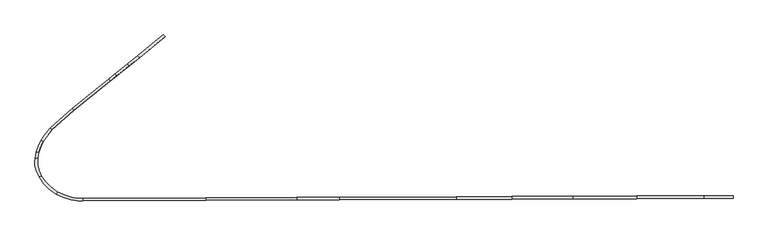
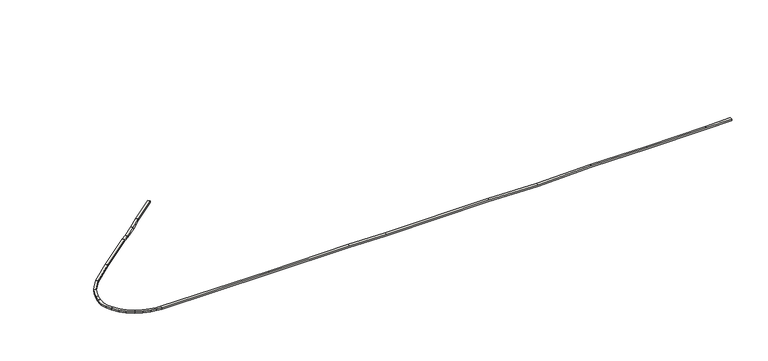
"""IFC4 building model written with IfcOpenShell, lengths in millimetres: wall geometry."""

from ifc_helpers import new_model, si_unit, origin, place, context, project, spatial, faceted_brep, source, transform, mapped, element, save


def wall_a0065af1(model_context):
    return source(origin(), model_context, "Body", "Brep", [
        faceted_brep([(-144906.563851, -25917.4705445, -2551.0109944), (-144742.9412286, -26119.5283985, -2550.5), (-144742.5906187, -26119.6996913, -2730.499577), (-144906.213241, -25917.6418373, -2731.0105714), (-153833.2497518, -33480.7150974, -2560.5), (-154001.4043029, -33282.327127, -2561.0150966), (-156189.0372918, -35222.5242594, -2561.0150966), (-156000.4756903, -35402.8133527, -2560.5), (-153832.9717272, -33480.9451686, -2740.4996468), (-156000.2170664, -35403.0606303, -2740.4996468), (-154001.1262783, -33282.5571982, -2741.0147434), (-156188.7786679, -35222.771537, -2741.0147434), (-156819.0964847, -36000.5825652, -2561.0150966), (-157118.0584184, -36427.5442066, -2560.943065), (-156892.0321503, -36558.0405349, -2560.4323666), (-156611.3250909, -36157.1495405, -2560.5), (-156611.0401196, -36157.3642818, -2740.4996468), (-156891.7221413, -36558.2195187, -2740.4320194), (-157117.7484094, -36427.7231904, -2740.9427177), (-156818.8115134, -36000.7973065, -2741.0147434), (-157346.8633666, -36918.2183291, -2561.0150966), (-157588.2118559, -37619.144308, -2560.8615815), (-157335.7146386, -37684.441525, -2560.3535447), (-157105.4652097, -37015.7495154, -2560.5), (-157105.1341172, -37015.8832854, -2740.4996468), (-157335.8700088, -37685.9880836, -2740.352882), (-157588.3672261, -37620.6908666, -2740.8609188), (-157346.5322741, -36918.3520992, -2741.0147434), (-157696.097862, -38230.9979448, -2550.4422495), (-157437.7552736, -38263.1443375, -2550.5), (-157437.9070841, -38264.670711, -2730.4999956), (-157696.2496725, -38232.5243184, -2730.442245), (-157729.362396, -38685.464534, -2550.4422495), (-157729.3623971, -38987.3245273, -2550.447144), (-157535.7556855, -39620.5835845, -2550.5003006), (-157298.4242063, -40129.542612, -2550.5611279), (-157072.3975048, -39999.0460365, -2550.6090825), (-157292.4320553, -39527.1803945, -2550.5526883), (-157469.3624033, -38948.4672679, -2550.5041104), (-157469.3624024, -38694.967131, -2550.5), (-157469.4023835, -38694.9656698, -2730.4999956), (-157469.4023844, -38948.4732431, -2730.504106), (-157292.469472, -39527.1947575, -2730.5526847), (-157072.4322618, -39999.0661035, -2730.6090795), (-157298.4589632, -40129.562679, -2730.5611249), (-157535.7931022, -39620.5979474, -2730.500297), (-157729.4023782, -38987.3305025, -2730.4471396), (-157729.4023771, -38685.4630728, -2730.442245), (-156827.1606959, -40802.5766194, -2550.4422495), (-156326.2879423, -41329.378794, -2550.4662669), (-155612.7631986, -41847.7848816, -2550.5300457), (-155482.0471245, -41621.378001, -2550.5826737), (-156154.2370365, -41133.0034274, -2550.5225897), (-156625.3349746, -40637.5174652, -2550.5), (-156625.3660101, -40637.5428469, -2730.4999956), (-156154.2634933, -41133.0336248, -2730.5225855), (-155482.0672252, -41621.4128164, -2730.5826701), (-155612.7832993, -41847.819697, -2730.530042), (-156326.3143992, -41329.4089913, -2730.4662627), (-156827.1917313, -40802.6020011, -2730.442245), (-154880.4078942, -42173.8504527, -2550.4422495), (-154114.026563, -42408.1567443, -2550.4639428), (-153459.2276046, -42500.1827452, -2550.5044261), (-152943.4461669, -42526.1380238, -2550.5457568), (-152937.4575761, -42266.1103942, -2550.5990611), (-153434.552268, -42241.0954746, -2550.5592278), (-154057.5782534, -42153.5348743, -2550.5207089), (-154789.183826, -41929.8605992, -2550.5), (-154789.1978539, -41929.8981184, -2730.4999956), (-154057.5869336, -42153.5740284, -2730.5207046), (-153434.5560625, -42241.1353154, -2730.5592239), (-152938.1914552, -42266.1134955, -2730.5989986), (-152944.180046, -42526.1411251, -2730.5456943), (-153459.231399, -42500.222586, -2730.5044221), (-154114.0352433, -42408.1958984, -2730.4639385), (-154880.421922, -42173.8879719, -2730.442245), (-140664.0688564, -42474.2467123, -2650.5), (-140665.1675778, -42214.2490339, -2650.5), (-131613.2888944, -42175.9967956, -2650.5), (-127379.0505537, -42158.1033727, -2734.8180061), (-115699.8527345, -42108.7483744, -2750.5), (-110139.7906818, -42085.252167, -2880.5), (-103998.6417353, -42059.3003508, -2750.5), (-97672.7819131, -42032.5679667, -2809.0), (-90933.5696209, -42004.0888009, -2800.5), (-88080.2964666, -41992.0311841, -2750.5), (-88077.142735, -41992.0178568, -2930.4723695), (-90931.8791307, -42004.0816571, -2980.498011), (-97673.5006678, -42032.5710041, -2989.0010497), (-103997.5690145, -42059.2958176, -2930.5176168), (-110139.9897409, -42085.2530082, -3060.5445387), (-115702.0775284, -42108.7577761, -2930.497175), (-127380.963379, -42158.1114561, -2914.8156), (-131615.0808891, -42176.0043684, -2830.5), (-140665.900912, -42214.2521329, -2830.5), (-140664.8021906, -42474.2498113, -2830.5), (-131613.9821677, -42436.0020469, -2830.5), (-127379.8646576, -42418.1091345, -2914.8156), (-115700.9788069, -42368.7554546, -2930.497175), (-110138.8910195, -42345.2506867, -3060.5445387), (-103996.4702931, -42319.293496, -2930.5176168), (-97672.4019464, -42292.5686826, -2989.0010497), (-90930.7804093, -42264.0793356, -2980.498011), (-88076.0440136, -42252.0155353, -2930.4723695), (-88079.1977452, -42252.0288626, -2750.5), (-90932.4708995, -42264.0864794, -2800.5), (-97671.6831917, -42292.5656452, -2809.0), (-103997.5430138, -42319.2980292, -2750.5), (-110138.6919604, -42345.2498455, -2880.5), (-115698.754013, -42368.7460528, -2750.5), (-127377.9518323, -42418.1010512, -2734.8180061), (-131612.1901729, -42435.9944741, -2650.5), (-147457.3831421, -27983.0832781, -2554.0138794), (-147293.7825387, -28185.1589625, -2553.502911), (-147285.6757089, -28179.0493924, -2733.4933572), (-147449.2763124, -27976.9737079, -2734.0043256), (-148506.6721466, -28832.7807601, -2705.4527268), (-148343.068323, -29034.8538369, -2704.9412936), (-148336.0957883, -29029.6628008, -2885.0954472), (-148499.6996119, -28827.589724, -2885.6068804), (-149744.3307698, -29835.0169518, -2681.0104029), (-149580.6747758, -30037.0477818, -2680.5), (-149592.0794735, -30046.738335, -2860.2912245), (-149755.7354675, -29844.707505, -2860.8016274), (-150375.2267672, -30345.906457, -2557.7327432), (-150211.5739401, -30547.9398516, -2557.2217215), (-150221.8630474, -30556.7270175, -2737.2309334), (-150385.5158744, -30354.6936229, -2737.7419552)], [[[0, 1, 2, 3]], [[4, 5, 6, 7]], [[8, 4, 7, 9]], [[10, 8, 9, 11]], [[5, 10, 11, 6]], [[7, 6, 12, 13, 14, 15]], [[9, 7, 15, 16]], [[11, 9, 16, 17, 18, 19]], [[6, 11, 19, 12]], [[16, 15, 14, 17]], [[12, 19, 18, 13]], [[14, 13, 20, 21, 22, 23]], [[17, 14, 23, 24]], [[18, 17, 24, 25, 26, 27]], [[13, 18, 27, 20]], [[24, 23, 22, 25]], [[20, 27, 26, 21]], [[22, 21, 28, 29]], [[25, 22, 29, 30]], [[26, 25, 30, 31]], [[21, 26, 31, 28]], [[29, 28, 32, 33, 34, 35, 36, 37, 38, 39]], [[30, 29, 39, 40]], [[31, 30, 40, 41, 42, 43, 44, 45, 46, 47]], [[28, 31, 47, 32]], [[40, 39, 38, 41]], [[32, 47, 46, 33]], [[41, 38, 37, 42]], [[33, 46, 45, 34]], [[42, 37, 36, 43]], [[34, 45, 44, 35]], [[36, 35, 48, 49, 50, 51, 52, 53]], [[43, 36, 53, 54]], [[44, 43, 54, 55, 56, 57, 58, 59]], [[35, 44, 59, 48]], [[54, 53, 52, 55]], [[48, 59, 58, 49]], [[55, 52, 51, 56]], [[49, 58, 57, 50]], [[51, 50, 60, 61, 62, 63, 64, 65, 66, 67]], [[56, 51, 67, 68]], [[57, 56, 68, 69, 70, 71, 72, 73, 74, 75]], [[50, 57, 75, 60]], [[68, 67, 66, 69]], [[60, 75, 74, 61]], [[69, 66, 65, 70]], [[61, 74, 73, 62]], [[70, 65, 64, 71]], [[62, 73, 72, 63]], [[64, 63, 76, 77]], [[71, 64, 77, 78, 79, 80, 81, 82, 83, 84, 85, 86, 87, 88, 89, 90, 91, 92, 93, 94]], [[72, 71, 94, 95]], [[63, 72, 95, 96, 97, 98, 99, 100, 101, 102, 103, 104, 105, 106, 107, 108, 109, 110, 111, 76]], [[78, 77, 76, 111]], [[96, 95, 94, 93]], [[78, 111, 110, 79]], [[96, 93, 92, 97]], [[79, 110, 109, 80]], [[97, 92, 91, 98]], [[80, 109, 108, 81]], [[98, 91, 90, 99]], [[104, 103, 86, 85]], [[1, 0, 112, 113]], [[2, 1, 113, 114]], [[3, 2, 114, 115]], [[0, 3, 115, 112]], [[113, 112, 116, 117]], [[114, 113, 117, 118]], [[115, 114, 118, 119]], [[112, 115, 119, 116]], [[117, 116, 120, 121]], [[118, 117, 121, 122]], [[119, 118, 122, 123]], [[116, 119, 123, 120]], [[121, 120, 124, 125]], [[122, 121, 125, 126]], [[123, 122, 126, 127]], [[120, 123, 127, 124]], [[125, 124, 5, 4]], [[126, 125, 4, 8]], [[127, 126, 8, 10]], [[124, 127, 10, 5]], [[84, 105, 104, 85]], [[102, 87, 86, 103]], [[81, 108, 107, 82]], [[99, 90, 89, 100]], [[82, 107, 106, 83]], [[100, 89, 88, 101]], [[83, 106, 105, 84]], [[101, 88, 87, 102]]]),
    ])


if __name__ == "__main__":
    model = new_model("IFC4")
    model_context = context("Model", 3, world=origin())
    ifc_project = project(units=[si_unit("LENGTHUNIT", "METRE", prefix="MILLI")], contexts=[model_context])
    site = spatial("IfcSite", under=ifc_project)
    building = spatial("IfcBuilding", under=site)
    placement = place(None, origin())
    wall_shape = wall_a0065af1(model_context)
    element("IfcWall", 1, at=placement, inside=building, context=model_context, shape_type="MappedRepresentation", body=[
        mapped(wall_shape, transform((0.0, 0.0, 0.0), x_axis=(1.0, 0.0, 0.0), y_axis=(0.0, 1.0, 0.0), z_axis=(0.0, 0.0, 1.0))),
    ])
    save(model, "model.ifc")
